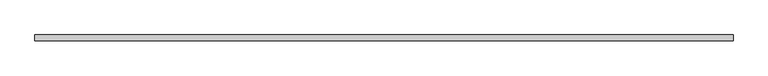
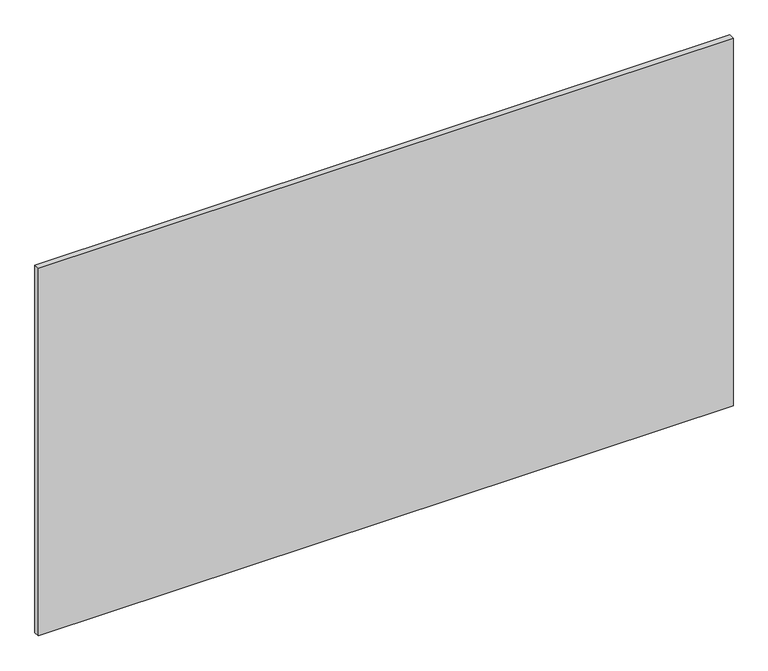
"""IFC4 building model written with IfcOpenShell, lengths in millimetres: plate geometry."""

from ifc_helpers import new_model, si_unit, origin, origin_with_axes, place, context, project, spatial, polyline, outline, extrude, source, transform, mapped, element, save


def plate_064e15c6(model_context):
    return source(origin(), model_context, "Body", "SweptSolid", [
        extrude(outline(polyline([(612.5, 5.0), (612.5, -5.0), (-612.5, -5.0), (-612.5, 5.0), (612.5, 5.0)])), origin_with_axes(), (0.0, 0.0, 1.0), 685.0),
    ])


if __name__ == "__main__":
    model = new_model("IFC4")
    model_context = context("Model", 3, world=origin())
    ifc_project = project(units=[si_unit("LENGTHUNIT", "METRE", prefix="MILLI")], contexts=[model_context])
    site = spatial("IfcSite", under=ifc_project)
    building = spatial("IfcBuilding", under=site)
    placement = place(None, origin())
    plate_shape = plate_064e15c6(model_context)
    element("IfcPlate", 1, at=placement, inside=building, context=model_context, shape_type="MappedRepresentation", body=[
        mapped(plate_shape, transform((0.0, 0.0, 0.0), x_axis=(1.0, 0.0, 0.0), y_axis=(0.0, 1.0, 0.0), z_axis=(0.0, 0.0, 1.0))),
    ])
    save(model, "model.ifc")
